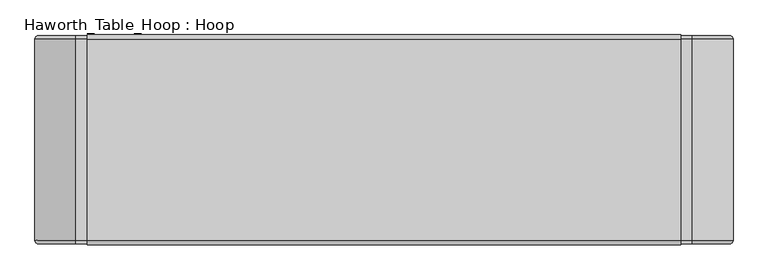
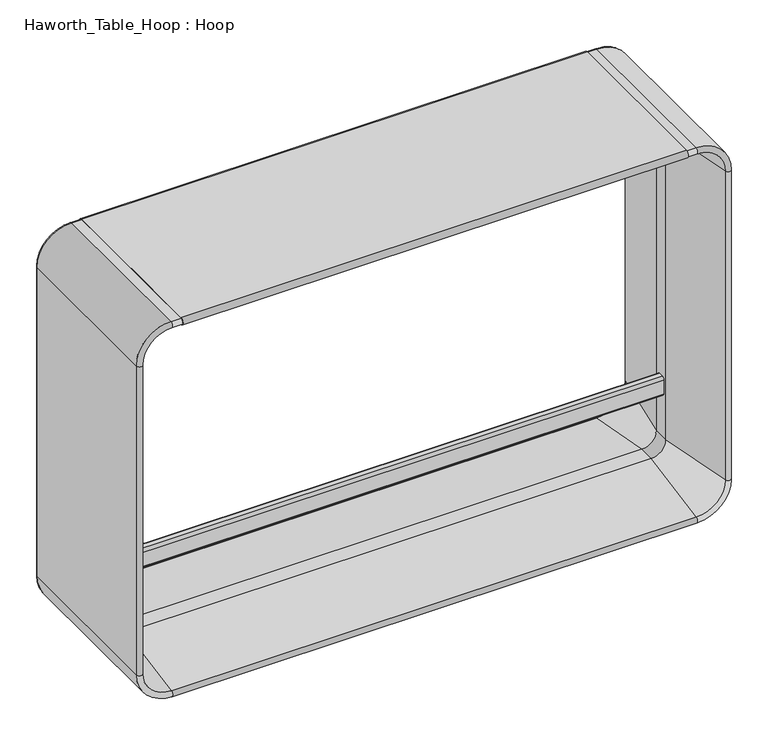
"""IFC4 building model written with IfcOpenShell, lengths in millimetres: furniture geometry, Haworth_Table_Hoop : Hoop."""

from ifc_helpers import new_model, si_unit, point, frame, frame_2d, origin, place, context, project, spatial, polyline, circle_curve, ellipse_curve, trimmed, segment, composite_curve, outline, extrude, source, transform, mapped, element, save
from ifc_brep_helpers import plane_surface, cylinder_surface, revolved_surface, advanced_brep


def haworth_table_hoop_hoop_7723851c(model_context):
    return source(origin(), model_context, "Body", "SolidModel", [
        extrude(outline(composite_curve([segment(trimmed(circle_curve(frame_2d((8.0819864, 1008.1287007)), 9.4378461), [point((6.4249721, 998.8374553))], [point((8.0819864, 1017.5665468))], False, "CARTESIAN"), True, "CONTINUOUS"), segment(polyline([(8.0819864, 1017.5665468), (447.9145987, 1017.5665468)]), True, "CONTINUOUS"), segment(trimmed(circle_curve(frame_2d((447.9145987, 1008.1287007)), 9.4378461), [point((447.9145987, 1017.5665468))], [point((449.571613, 998.8374553))], False, "CARTESIAN"), True, "CONTINUOUS"), segment(polyline([(449.571613, 998.8374553), (249.55549, 962.2272881), (206.4410951, 962.2272881), (6.4249721, 998.8374553)]), True, "CONTINUOUS")], self_intersect=False)), frame((-647.2818297, 0.0, 0.0), z_axis=(1.0, 0.0, 0.0), x_axis=(0.0, 1.0, 0.0)), (0.0, 0.0, 1.0), 1294.5636139),
        extrude(outline(composite_curve([segment(polyline([(240.6982909, 247.5566355), (240.6982909, 209.6328334)]), True, "CONTINUOUS"), segment(trimmed(circle_curve(frame_2d((234.2549264, 209.6328334)), 6.4433645), [point((240.6982909, 209.6328334))], [point((234.2549264, 203.1894689))], False, "CARTESIAN"), True, "CONTINUOUS"), segment(polyline([(234.2549264, 203.1894689), (221.7416587, 203.1894689)]), True, "CONTINUOUS"), segment(trimmed(circle_curve(frame_2d((221.7416587, 209.6328334)), 6.4433645), [point((221.7416587, 203.1894689))], [point((215.2982942, 209.6328334))], False, "CARTESIAN"), True, "CONTINUOUS"), segment(polyline([(215.2982942, 209.6328334), (215.2982942, 247.5566355)]), True, "CONTINUOUS"), segment(trimmed(circle_curve(frame_2d((221.7416587, 247.5566355)), 6.4433645), [point((215.2982942, 247.5566355))], [point((221.7416587, 254.0))], False, "CARTESIAN"), True, "CONTINUOUS"), segment(polyline([(221.7416587, 254.0), (234.2549264, 254.0)]), True, "CONTINUOUS"), segment(trimmed(circle_curve(frame_2d((234.2549264, 247.5566355)), 6.4433645), [point((234.2549264, 254.0))], [point((240.6982909, 247.5566355))], False, "CARTESIAN"), True, "CONTINUOUS")], self_intersect=False)), frame((-709.8049165, 0.0, 0.0), z_axis=(1.0, 0.0, 0.0), x_axis=(0.0, 1.0, 0.0)), (0.0, 0.0, 1.0), 1419.609833),
        advanced_brep(
        [(762.0, 447.9769607, 89.3627318), (762.0, 8.0196243, 89.3627318), (672.6372682, 8.0196243, 0.0), (672.6372682, 447.9769607, 0.0), (746.4382648, 449.3893831, 89.3627318), (672.6372682, 449.3893831, 15.5617352), (709.8097854, 249.2696686, 89.3627318), (672.6372682, 249.2696686, 52.1902146), (746.4382648, 6.607202, 89.3627318), (709.8097854, 206.7269165, 89.3627318), (672.6372682, 206.7269165, 52.1902146), (672.6372682, 6.607202, 15.5617352), (762.0, 447.9769607, 926.6163138), (762.0, 8.0196243, 926.6163138), (746.4382648, 449.3893831, 926.6163138), (709.8097854, 249.2696686, 926.6163138), (746.4382648, 6.607202, 926.6163138), (709.8097854, 206.7269165, 926.6163138), (672.6372682, 447.9769607, 1015.9790456), (672.6372682, 8.0196243, 1015.9790456), (672.6372682, 449.3893831, 1000.4173104), (672.6372682, 249.2696686, 963.7888309), (672.6372682, 6.607202, 1000.4173104), (672.6372682, 206.7269165, 963.7888309), (-672.6372682, 447.9769607, 1015.9790456), (-672.6372682, 8.0196243, 1015.9790456), (-672.6372682, 449.3893831, 1000.4173104), (-672.6372682, 249.2696686, 963.7888309), (-672.6372682, 6.607202, 1000.4173104), (-672.6372682, 206.7269165, 963.7888309), (-762.0, 447.9769607, 926.6163138), (-762.0, 8.0196243, 926.6163138), (-746.4382648, 449.3893831, 926.6163138), (-709.8097854, 249.2696686, 926.6163138), (-746.4382648, 6.607202, 926.6163138), (-709.8097854, 206.7269165, 926.6163138), (-762.0, 447.9769607, 89.3627318), (-762.0, 8.0196243, 89.3627318), (-746.4382648, 449.3893831, 89.3627318), (-709.8097854, 249.2696686, 89.3627318), (-746.4382648, 6.607202, 89.3627318), (-709.8097854, 206.7269165, 89.3627318), (-672.6372682, 447.9769607, 0.0), (-672.6372682, 8.0196243, 0.0), (-672.6372682, 449.3893831, 15.5617352), (-672.6372682, 249.2696686, 52.1902146), (-672.6372682, 6.607202, 15.5617352), (-672.6372682, 206.7269165, 52.1902146)],
        [
            (0, 1),
            (1, 2, circle_curve(frame((672.6372682, 8.0196243, 89.3627318), z_axis=(0.0, 1.0, 0.0), x_axis=(0.0, 0.0, -1.0)), 89.3627318)),
            (2, 3),
            (3, 0, circle_curve(frame((672.6372682, 447.9769607, 89.3627318), z_axis=(0.0, -1.0, 0.0), x_axis=(0.0, 0.0, -1.0)), 89.3627318)),
            (4, 0, circle_curve(frame((754.1550349, 447.9769607, 89.3627318), z_axis=(0.0, 0.0, -1.0), x_axis=(-1.0, 0.0, 0.0)), 7.8449651)),
            (3, 5, circle_curve(frame((672.6372682, 447.9769607, 7.8449651), z_axis=(1.0, 0.0, 0.0), x_axis=(0.0, 0.0, 1.0)), 7.8449651)),
            (5, 4, circle_curve(frame((672.6372682, 449.3893831, 89.3627318), z_axis=(0.0, -1.0, 0.0), x_axis=(0.0, 0.0, -1.0)), 73.8009966)),
            (6, 4),
            (5, 7),
            (7, 6, circle_curve(frame((672.6372682, 249.2696686, 89.3627318), z_axis=(0.0, -1.0, 0.0), x_axis=(0.0, 0.0, -1.0)), 37.1725172)),
            (8, 9),
            (9, 10, circle_curve(frame((672.6372682, 206.7269165, 89.3627318), z_axis=(0.0, 1.0, 0.0), x_axis=(0.0, 0.0, -1.0)), 37.1725172)),
            (10, 11),
            (11, 8, circle_curve(frame((672.6372682, 6.607202, 89.3627318), z_axis=(0.0, -1.0, 0.0), x_axis=(0.0, 0.0, -1.0)), 73.8009966)),
            (1, 8, circle_curve(frame((754.1550349, 8.0196243, 89.3627318), z_axis=(0.0, 0.0, -1.0), x_axis=(-1.0, 0.0, 0.0)), 7.8449651)),
            (11, 2, circle_curve(frame((672.6372682, 8.0196243, 7.8449651), z_axis=(1.0, 0.0, 0.0), x_axis=(0.0, 0.0, 1.0)), 7.8449651)),
            (0, 12),
            (12, 13),
            (13, 1),
            (4, 14),
            (14, 12, circle_curve(frame((754.1550349, 447.9769607, 926.6163138), z_axis=(0.0, 0.0, -1.0), x_axis=(-1.0, 0.0, 0.0)), 7.8449651)),
            (6, 15),
            (15, 14),
            (8, 16),
            (16, 17),
            (17, 9),
            (13, 16, circle_curve(frame((754.1550349, 8.0196243, 926.6163138), z_axis=(0.0, 0.0, -1.0), x_axis=(-1.0, 0.0, 0.0)), 7.8449651)),
            (18, 19),
            (19, 13, circle_curve(frame((672.6372682, 8.0196243, 926.6163138), z_axis=(0.0, 1.0, 0.0), x_axis=(1.0, 0.0, 2.1951896999272173e-12)), 89.3627318)),
            (12, 18, circle_curve(frame((672.6372682, 447.9769607, 926.6163138), z_axis=(0.0, -1.0, 0.0), x_axis=(1.0, 0.0, 2.1951896999272173e-12)), 89.3627318)),
            (20, 18, circle_curve(frame((672.6372682, 447.9769607, 1008.1340805), z_axis=(1.0, 0.0, 0.0), x_axis=(0.0, 0.0, -1.0)), 7.8449651)),
            (14, 20, circle_curve(frame((672.6372682, 449.3893831, 926.6163138), z_axis=(0.0, -1.0, 0.0), x_axis=(1.0, 0.0, 2.1951896999272173e-12)), 73.8009966)),
            (21, 20),
            (15, 21, circle_curve(frame((672.6372682, 249.2696686, 926.6163138), z_axis=(0.0, -1.0, 0.0), x_axis=(1.0, 0.0, 2.1951896999272173e-12)), 37.1725172)),
            (22, 23),
            (23, 17, circle_curve(frame((672.6372682, 206.7269165, 926.6163138), z_axis=(0.0, 1.0, 0.0), x_axis=(1.0, 0.0, 2.1951896999272173e-12)), 37.1725172)),
            (16, 22, circle_curve(frame((672.6372682, 6.607202, 926.6163138), z_axis=(0.0, -1.0, 0.0), x_axis=(1.0, 0.0, 2.1951896999272173e-12)), 73.8009966)),
            (19, 22, circle_curve(frame((672.6372682, 8.0196243, 1008.1340805), z_axis=(1.0, 0.0, 0.0), x_axis=(0.0, 0.0, -1.0)), 7.8449651)),
            (18, 24),
            (24, 25),
            (25, 19),
            (20, 26),
            (26, 24, circle_curve(frame((-672.6372682, 447.9769607, 1008.1340805), z_axis=(1.0, 0.0, 0.0), x_axis=(0.0, 0.0, -1.0)), 7.8449651)),
            (21, 27),
            (27, 26),
            (22, 28),
            (28, 29),
            (29, 23),
            (25, 28, circle_curve(frame((-672.6372682, 8.0196243, 1008.1340805), z_axis=(1.0, 0.0, 0.0), x_axis=(0.0, 0.0, -1.0)), 7.8449651)),
            (30, 31),
            (31, 25, circle_curve(frame((-672.6372682, 8.0196243, 926.6163138), z_axis=(0.0, 1.0, 0.0), x_axis=(0.0, 0.0, 1.0)), 89.3627318)),
            (24, 30, circle_curve(frame((-672.6372682, 447.9769607, 926.6163138), z_axis=(0.0, -1.0, 0.0), x_axis=(0.0, 0.0, 1.0)), 89.3627318)),
            (32, 30, circle_curve(frame((-754.1550349, 447.9769607, 926.6163138), z_axis=(0.0, 0.0, 1.0), x_axis=(1.0, 0.0, 0.0)), 7.8449651)),
            (26, 32, circle_curve(frame((-672.6372682, 449.3893831, 926.6163138), z_axis=(0.0, -1.0, 0.0), x_axis=(0.0, 0.0, 1.0)), 73.8009966)),
            (33, 32),
            (27, 33, circle_curve(frame((-672.6372682, 249.2696686, 926.6163138), z_axis=(0.0, -1.0, 0.0), x_axis=(0.0, 0.0, 1.0)), 37.1725172)),
            (34, 35),
            (35, 29, circle_curve(frame((-672.6372682, 206.7269165, 926.6163138), z_axis=(0.0, 1.0, 0.0), x_axis=(0.0, 0.0, 1.0)), 37.1725172)),
            (28, 34, circle_curve(frame((-672.6372682, 6.607202, 926.6163138), z_axis=(0.0, -1.0, 0.0), x_axis=(0.0, 0.0, 1.0)), 73.8009966)),
            (31, 34, circle_curve(frame((-754.1550349, 8.0196243, 926.6163138), z_axis=(0.0, 0.0, 1.0), x_axis=(1.0, 0.0, 0.0)), 7.8449651)),
            (30, 36),
            (36, 37),
            (37, 31),
            (32, 38),
            (38, 36, circle_curve(frame((-754.1550349, 447.9769607, 89.3627318), z_axis=(0.0, 0.0, 1.0), x_axis=(1.0, 0.0, 0.0)), 7.8449651)),
            (33, 39),
            (39, 38),
            (34, 40),
            (40, 41),
            (41, 35),
            (37, 40, circle_curve(frame((-754.1550349, 8.0196243, 89.3627318), z_axis=(0.0, 0.0, 1.0), x_axis=(1.0, 0.0, 0.0)), 7.8449651)),
            (42, 43),
            (43, 37, circle_curve(frame((-672.6372682, 8.0196243, 89.3627318), z_axis=(0.0, 1.0, 0.0), x_axis=(-1.0, 0.0, -2.181044574253572e-12)), 89.3627318)),
            (36, 42, circle_curve(frame((-672.6372682, 447.9769607, 89.3627318), z_axis=(0.0, -1.0, 0.0), x_axis=(-1.0, 0.0, -2.181044574253572e-12)), 89.3627318)),
            (44, 42, circle_curve(frame((-672.6372682, 447.9769607, 7.8449651), z_axis=(-1.0, 0.0, 0.0), x_axis=(0.0, 0.0, 1.0)), 7.8449651)),
            (38, 44, circle_curve(frame((-672.6372682, 449.3893831, 89.3627318), z_axis=(0.0, -1.0, 0.0), x_axis=(-1.0, 0.0, -2.181044574253572e-12)), 73.8009966)),
            (45, 44),
            (39, 45, circle_curve(frame((-672.6372682, 249.2696686, 89.3627318), z_axis=(0.0, -1.0, 0.0), x_axis=(-1.0, 0.0, -2.181044574253572e-12)), 37.1725172)),
            (46, 47),
            (47, 41, circle_curve(frame((-672.6372682, 206.7269165, 89.3627318), z_axis=(0.0, 1.0, 0.0), x_axis=(-1.0, 0.0, -2.181044574253572e-12)), 37.1725172)),
            (40, 46, circle_curve(frame((-672.6372682, 6.607202, 89.3627318), z_axis=(0.0, -1.0, 0.0), x_axis=(-1.0, 0.0, -2.181044574253572e-12)), 73.8009966)),
            (43, 46, circle_curve(frame((-672.6372682, 8.0196243, 7.8449651), z_axis=(-1.0, 0.0, 0.0), x_axis=(0.0, 0.0, 1.0)), 7.8449651)),
            (42, 3),
            (2, 43),
            (44, 5),
            (45, 7),
            (46, 11),
            (10, 47),
            (9, 6),
            (7, 10),
            (17, 15),
            (23, 21),
            (29, 27),
            (35, 33),
            (41, 39),
            (47, 45),
        ],
        [
            cylinder_surface(frame((672.6372682, 0.0, 89.3627318), z_axis=(0.0, 1.0, 0.0), x_axis=(0.0, 0.0, -1.0)), 89.3627318),
            revolved_surface(trimmed(ellipse_curve(frame((672.6372682, 447.9769607, 7.8449651), z_axis=(1.0, 0.0, 0.0), x_axis=(0.0, 0.0, 1.0)), 7.8449651, 7.8449651), [point((672.6372682, 447.9769607, 0.0))], [point((672.6372682, 449.3893831, 15.5617352))], True, "CARTESIAN"), (672.6372682, 0.0, 89.3627318), (0.0, 1.0, 0.0)),
            revolved_surface(polyline([(672.6372682, 449.3893831, 15.5617352), (672.6372682, 249.2696686, 52.1902146)]), (672.6372682, 0.0, 89.3627318), (0.0, 1.0, 0.0)),
            revolved_surface(polyline([(672.6372682, 206.7269165, 52.1902146), (672.6372682, 6.607202, 15.5617352)]), (672.6372682, 0.0, 89.3627318), (0.0, 1.0, 0.0)),
            revolved_surface(trimmed(ellipse_curve(frame((672.6372682, 8.0196243, 7.8449651), z_axis=(1.0, 0.0, 0.0), x_axis=(0.0, 0.0, 1.0)), 7.8449651, 7.8449651), [point((672.6372682, 6.607202, 15.5617352))], [point((672.6372682, 8.0196243, 0.0))], True, "CARTESIAN"), (672.6372682, 0.0, 89.3627318), (0.0, 1.0, 0.0)),
            plane_surface(frame((762.0, 8.0196243, 89.3627318), z_axis=(1.0, 0.0, 0.0), x_axis=(0.0, 0.0, 1.0))),
            cylinder_surface(frame((754.1550349, 447.9769607, 89.3627318), z_axis=(0.0, 0.0, -1.0), x_axis=(-1.0, 0.0, 0.0)), 7.8449651),
            plane_surface(frame((746.4382648, 449.3893831, 89.3627318), z_axis=(-0.9836589440345567, 0.1800418890725737, 0.0), x_axis=(0.0, 0.0, 1.0))),
            plane_surface(frame((709.8097854, 206.7269165, 89.3627318), z_axis=(-0.9836589440345389, -0.1800418890726708, 0.0), x_axis=(0.0, 0.0, 1.0))),
            cylinder_surface(frame((754.1550349, 8.0196243, 89.3627318), z_axis=(0.0, 0.0, -1.0), x_axis=(-1.0, 0.0, 0.0)), 7.8449651),
            cylinder_surface(frame((672.6372682, 0.0, 926.6163138), z_axis=(0.0, 1.0, 0.0), x_axis=(1.0, 0.0, 2.1951896999272173e-12)), 89.3627318),
            revolved_surface(trimmed(ellipse_curve(frame((754.1550349, 447.9769607, 926.6163138), z_axis=(-2.1951896999272173e-12, 0.0, 1.0), x_axis=(-1.0, 0.0, -2.195189699927222e-12)), 7.8449651, 7.8449651), [point((762.0, 447.9769607, 926.6163138))], [point((746.4382648, 449.3893831, 926.6163138))], True, "CARTESIAN"), (672.6372682, 0.0, 926.6163138), (0.0, 1.0, 0.0)),
            revolved_surface(polyline([(746.4382648, 449.3893831, 926.6163138), (709.8097854, 249.2696686, 926.6163138)]), (672.6372682, 0.0, 926.6163138), (0.0, 1.0, 0.0)),
            revolved_surface(polyline([(709.8097854, 206.7269165, 926.6163138), (746.4382648, 6.607202, 926.6163138)]), (672.6372682, 0.0, 926.6163138), (0.0, 1.0, 0.0)),
            revolved_surface(trimmed(ellipse_curve(frame((754.1550349, 8.0196243, 926.6163138), z_axis=(-2.1951896999272173e-12, 0.0, 1.0), x_axis=(-1.0, 0.0, -2.1951896999272173e-12)), 7.8449651, 7.8449651), [point((746.4382648, 6.607202, 926.6163138))], [point((762.0, 8.0196243, 926.6163138))], True, "CARTESIAN"), (672.6372682, 0.0, 926.6163138), (0.0, 1.0, 0.0)),
            plane_surface(frame((672.6372682, 8.0196243, 1015.9790456), z_axis=(0.0, 0.0, 1.0), x_axis=(-1.0, 0.0, 0.0))),
            cylinder_surface(frame((672.6372682, 447.9769607, 1008.1340805), z_axis=(1.0, 0.0, 0.0), x_axis=(0.0, 0.0, -1.0)), 7.8449651),
            plane_surface(frame((672.6372682, 449.3893831, 1000.4173104), z_axis=(0.0, 0.18004188907262225, -0.9836589440345478), x_axis=(-1.0, 0.0, 0.0))),
            plane_surface(frame((672.6372682, 206.7269165, 963.7888309), z_axis=(0.0, -0.18004188907262225, -0.9836589440345478), x_axis=(-1.0, 0.0, 0.0))),
            cylinder_surface(frame((672.6372682, 8.0196243, 1008.1340805), z_axis=(1.0, 0.0, 0.0), x_axis=(0.0, 0.0, -1.0)), 7.8449651),
            cylinder_surface(frame((-672.6372682, 0.0, 926.6163138), z_axis=(0.0, 1.0, 0.0), x_axis=(0.0, 0.0, 1.0)), 89.3627318),
            revolved_surface(trimmed(ellipse_curve(frame((-672.6372682, 447.9769607, 1008.1340805), z_axis=(-1.0, 0.0, 0.0), x_axis=(0.0, 0.0, -1.0)), 7.8449651, 7.8449651), [point((-672.6372682, 447.9769607, 1015.9790456))], [point((-672.6372682, 449.3893831, 1000.4173104))], True, "CARTESIAN"), (-672.6372682, 0.0, 926.6163138), (0.0, 1.0, 0.0)),
            revolved_surface(polyline([(-672.6372682, 449.3893831, 1000.4173104), (-672.6372682, 249.2696686, 963.7888309)]), (-672.6372682, 0.0, 926.6163138), (0.0, 1.0, 0.0)),
            revolved_surface(polyline([(-672.6372682, 206.7269165, 963.7888309), (-672.6372682, 6.607202, 1000.4173104)]), (-672.6372682, 0.0, 926.6163138), (0.0, 1.0, 0.0)),
            revolved_surface(trimmed(ellipse_curve(frame((-672.6372682, 8.0196243, 1008.1340805), z_axis=(-1.0, 0.0, 0.0), x_axis=(0.0, 0.0, -1.0)), 7.8449651, 7.8449651), [point((-672.6372682, 6.607202, 1000.4173104))], [point((-672.6372682, 8.0196243, 1015.9790456))], True, "CARTESIAN"), (-672.6372682, 0.0, 926.6163138), (0.0, 1.0, 0.0)),
            plane_surface(frame((-762.0, 8.0196243, 926.6163138), z_axis=(-1.0, 0.0, 0.0), x_axis=(0.0, 0.0, -1.0))),
            cylinder_surface(frame((-754.1550349, 447.9769607, 926.6163138), z_axis=(0.0, 0.0, 1.0), x_axis=(1.0, 0.0, 0.0)), 7.8449651),
            plane_surface(frame((-746.4382648, 449.3893831, 926.6163138), z_axis=(0.9836589440345567, 0.1800418890725737, 0.0), x_axis=(0.0, 0.0, -1.0))),
            plane_surface(frame((-709.8097854, 206.7269165, 926.6163138), z_axis=(0.9836589440345389, -0.1800418890726708, 0.0), x_axis=(0.0, 0.0, -1.0))),
            cylinder_surface(frame((-754.1550349, 8.0196243, 926.6163138), z_axis=(0.0, 0.0, 1.0), x_axis=(1.0, 0.0, 0.0)), 7.8449651),
            cylinder_surface(frame((-672.6372682, 0.0, 89.3627318), z_axis=(0.0, 1.0, 0.0), x_axis=(-1.0, 0.0, -2.181044574253572e-12)), 89.3627318),
            revolved_surface(trimmed(ellipse_curve(frame((-754.1550349, 447.9769607, 89.3627318), z_axis=(2.181044574253572e-12, 0.0, -1.0), x_axis=(1.0, 0.0, 2.181044574253577e-12)), 7.8449651, 7.8449651), [point((-762.0, 447.9769607, 89.3627318))], [point((-746.4382648, 449.3893831, 89.3627318))], True, "CARTESIAN"), (-672.6372682, 0.0, 89.3627318), (0.0, 1.0, 0.0)),
            revolved_surface(polyline([(-746.4382648, 449.3893831, 89.3627318), (-709.8097854, 249.2696686, 89.3627318)]), (-672.6372682, 0.0, 89.3627318), (0.0, 1.0, 0.0)),
            revolved_surface(polyline([(-709.8097854, 206.7269165, 89.3627318), (-746.4382648, 6.607202, 89.3627318)]), (-672.6372682, 0.0, 89.3627318), (0.0, 1.0, 0.0)),
            revolved_surface(trimmed(ellipse_curve(frame((-754.1550349, 8.0196243, 89.3627318), z_axis=(2.181044574253572e-12, 0.0, -1.0), x_axis=(1.0, 0.0, 2.181044574253572e-12)), 7.8449651, 7.8449651), [point((-746.4382648, 6.607202, 89.3627318))], [point((-762.0, 8.0196243, 89.3627318))], True, "CARTESIAN"), (-672.6372682, 0.0, 89.3627318), (0.0, 1.0, 0.0)),
            plane_surface(frame((-672.6372682, 8.0196243, 0.0), z_axis=(0.0, 0.0, -1.0), x_axis=(1.0, 0.0, 0.0))),
            cylinder_surface(frame((-672.6372682, 447.9769607, 7.8449651), z_axis=(-1.0, 0.0, 0.0), x_axis=(0.0, 0.0, 1.0)), 7.8449651),
            plane_surface(frame((-672.6372682, 449.3893831, 15.5617352), z_axis=(0.0, 0.18004188907262225, 0.9836589440345478), x_axis=(1.0, 0.0, 0.0))),
            plane_surface(frame((-672.6372682, 206.7269165, 52.1902146), z_axis=(0.0, -0.18004188907262225, 0.9836589440345478), x_axis=(1.0, 0.0, 0.0))),
            cylinder_surface(frame((-672.6372682, 8.0196243, 7.8449651), z_axis=(-1.0, 0.0, 0.0), x_axis=(0.0, 0.0, 1.0)), 7.8449651),
            revolved_surface(polyline([(672.6372682, 249.2696686, 52.190214600000004), (672.6372682, 206.7269165, 52.190214600000004)]), (672.6372682, 0.0, 89.3627318), (0.0, 1.0, 0.0)),
            plane_surface(frame((709.8097854, 249.2696686, 89.3627318), z_axis=(-1.0, 0.0, 0.0), x_axis=(0.0, 0.0, 1.0))),
            revolved_surface(polyline([(709.8097854, 249.2696686, 926.6163138000816), (709.8097854, 206.7269165, 926.6163138000816)]), (672.6372682, 0.0, 926.6163138), (0.0, 1.0, 0.0)),
            plane_surface(frame((672.6372682, 249.2696686, 963.7888309), z_axis=(0.0, 0.0, -1.0), x_axis=(-1.0, 0.0, 0.0))),
            revolved_surface(polyline([(-672.6372682, 249.2696686, 963.788831), (-672.6372682, 206.7269165, 963.788831)]), (-672.6372682, 0.0, 926.6163138), (0.0, 1.0, 0.0)),
            plane_surface(frame((-709.8097854, 249.2696686, 926.6163138), z_axis=(1.0, 0.0, 0.0), x_axis=(0.0, 0.0, -1.0))),
            revolved_surface(polyline([(-709.8097854, 249.2696686, 89.36273179991893), (-709.8097854, 206.7269165, 89.36273179991893)]), (-672.6372682, 0.0, 89.3627318), (0.0, 1.0, 0.0)),
            plane_surface(frame((-672.6372682, 249.2696686, 52.1902146), z_axis=(0.0, 0.0, 1.0), x_axis=(1.0, 0.0, 0.0))),
        ],
        [
            (0, [[1, 2, 3, 4]]),
            (1, [[5, -4, 6, 7]]),
            (2, [[8, -7, 9, 10]]),
            (3, [[11, 12, 13, 14]]),
            (4, [[15, -14, 16, -2]]),
            (5, [[17, 18, 19, -1]]),
            (6, [[20, 21, -17, -5]]),
            (7, [[22, 23, -20, -8]]),
            (8, [[24, 25, 26, -11]]),
            (9, [[-19, 27, -24, -15]]),
            (10, [[28, 29, -18, 30]]),
            (11, [[31, -30, -21, 32]]),
            (12, [[33, -32, -23, 34]]),
            (13, [[35, 36, -25, 37]]),
            (14, [[38, -37, -27, -29]]),
            (15, [[39, 40, 41, -28]]),
            (16, [[42, 43, -39, -31]]),
            (17, [[44, 45, -42, -33]]),
            (18, [[46, 47, 48, -35]]),
            (19, [[-41, 49, -46, -38]]),
            (20, [[50, 51, -40, 52]]),
            (21, [[53, -52, -43, 54]]),
            (22, [[55, -54, -45, 56]]),
            (23, [[57, 58, -47, 59]]),
            (24, [[60, -59, -49, -51]]),
            (25, [[61, 62, 63, -50]]),
            (26, [[64, 65, -61, -53]]),
            (27, [[66, 67, -64, -55]]),
            (28, [[68, 69, 70, -57]]),
            (29, [[-63, 71, -68, -60]]),
            (30, [[72, 73, -62, 74]]),
            (31, [[75, -74, -65, 76]]),
            (32, [[77, -76, -67, 78]]),
            (33, [[79, 80, -69, 81]]),
            (34, [[82, -81, -71, -73]]),
            (35, [[83, -3, 84, -72]]),
            (36, [[85, -6, -83, -75]]),
            (37, [[86, -9, -85, -77]]),
            (38, [[87, -13, 88, -79]]),
            (39, [[-84, -16, -87, -82]]),
            (40, [[89, -10, 90, -12]]),
            (41, [[-26, 91, -22, -89]]),
            (42, [[92, -34, -91, -36]]),
            (43, [[-48, 93, -44, -92]]),
            (44, [[94, -56, -93, -58]]),
            (45, [[-70, 95, -66, -94]]),
            (46, [[96, -78, -95, -80]]),
            (47, [[-88, -90, -86, -96]]),
        ],
    ),
    ])


if __name__ == "__main__":
    model = new_model("IFC4")
    model_context = context("Model", 3, world=origin())
    ifc_project = project(units=[si_unit("LENGTHUNIT", "METRE", prefix="MILLI")], contexts=[model_context])
    site = spatial("IfcSite", under=ifc_project)
    building = spatial("IfcBuilding", under=site)
    placement = place(None, origin())
    haworth_table_hoop_hoop_shape = haworth_table_hoop_hoop_7723851c(model_context)
    element("IfcFurniture", 1, ObjectType="Haworth_Table_Hoop : Hoop", at=placement, inside=building, context=model_context, shape_type="MappedRepresentation", body=[
        mapped(haworth_table_hoop_hoop_shape, transform((0.0, 0.0, 0.0), x_axis=(1.0, 0.0, 0.0), y_axis=(0.0, 1.0, 0.0), z_axis=(0.0, 0.0, 1.0))),
    ])
    save(model, "model.ifc")
